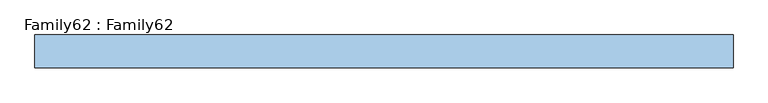
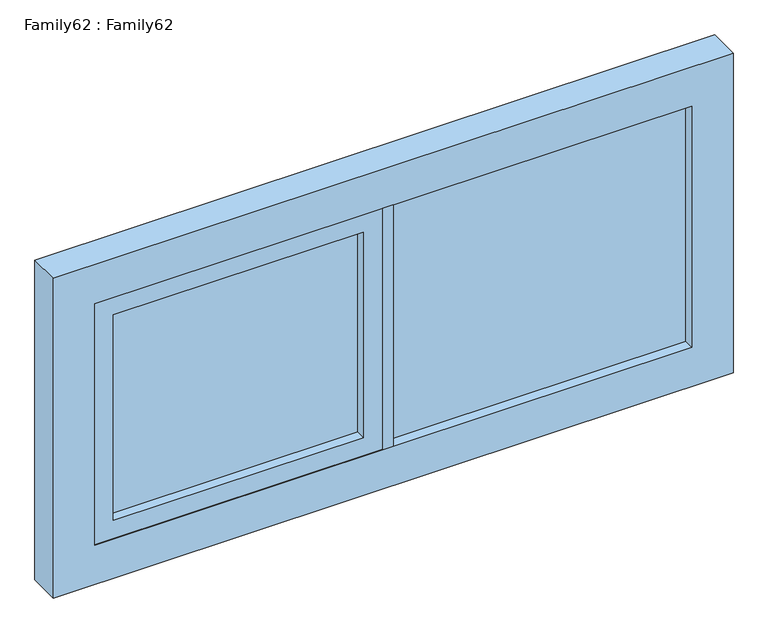
"""IFC4 building model written with IfcOpenShell, lengths in millimetres: window geometry, Family62 : Family62."""

from ifc_helpers import new_model, si_unit, frame, origin, place, context, project, spatial, polyline, outline, extrude, source, transform, mapped, element, save


def family62_family62_6873fe72(model_context):
    return source(origin(), model_context, "Body", "SweptSolid", [
        extrude(outline(polyline([(786.0, 14.0), (786.0, 10.0), (0.0, 10.0), (0.0, 14.0), (786.0, 14.0)])), frame((0.0, 0.0, 909.0), z_axis=(0.0, 0.0, 1.0), x_axis=(1.0, 0.0, 0.0)), (0.0, 0.0, 1.0), 672.0),
        extrude(outline(polyline([(0.0, -10.0), (786.0, -10.0), (786.0, -14.0), (0.0, -14.0), (0.0, -10.0)])), frame((0.0, 0.0, 909.0), z_axis=(0.0, 0.0, 1.0), x_axis=(1.0, 0.0, 0.0)), (0.0, 0.0, 1.0), 672.0),
        extrude(outline(polyline([(-77.4945996, 14.0), (-77.4945996, 10.0), (-736.0, 10.0), (-736.0, 14.0), (-77.4945996, 14.0)])), frame((0.0, 0.0, 959.0), z_axis=(0.0, 0.0, 1.0), x_axis=(1.0, 0.0, 0.0)), (0.0, 0.0, 1.0), 572.0),
        extrude(outline(polyline([(-77.4945996, -10.0), (-77.4945996, -14.0), (-736.0, -14.0), (-736.0, -10.0), (-77.4945996, -10.0)])), frame((0.0, 0.0, 959.0), z_axis=(0.0, 0.0, 1.0), x_axis=(1.0, 0.0, 0.0)), (0.0, 0.0, 1.0), 572.0),
        extrude(outline(polyline([(0.0, -42.0), (-27.4945996, -42.0), (-27.4945996, 42.0), (0.0, 42.0), (0.0, -42.0)])), frame((0.0, 0.0, 909.0), z_axis=(0.0, 0.0, 1.0), x_axis=(1.0, 0.0, 0.0)), (0.0, 0.0, 1.0), 672.0),
        extrude(outline(polyline([(1581.0, -27.4945996), (1581.0, -786.0), (909.0, -786.0), (909.0, -27.4945996), (1581.0, -27.4945996)]), holes=[polyline([(1531.0, -77.4945996), (959.0, -77.4945996), (959.0, -736.0), (1531.0, -736.0), (1531.0, -77.4945996)])]), frame((0.0, -40.0, 0.0), z_axis=(0.0, 1.0, 0.0), x_axis=(0.0, 0.0, 1.0)), (0.0, 0.0, 1.0), 80.0),
        extrude(outline(polyline([(1690.0, 895.0), (1690.0, -895.0), (800.0, -895.0), (800.0, 895.0), (1690.0, 895.0)]), holes=[polyline([(909.0, 786.0), (909.0, -786.0), (1581.0, -786.0), (1581.0, 786.0), (909.0, 786.0)])]), frame((0.0, -42.0, 0.0), z_axis=(0.0, 1.0, 0.0), x_axis=(0.0, 0.0, 1.0)), (0.0, 0.0, 1.0), 84.0),
    ])


if __name__ == "__main__":
    model = new_model("IFC4")
    model_context = context("Model", 3, world=origin())
    ifc_project = project(units=[si_unit("LENGTHUNIT", "METRE", prefix="MILLI")], contexts=[model_context])
    site = spatial("IfcSite", under=ifc_project)
    building = spatial("IfcBuilding", under=site)
    placement = place(None, origin())
    family62_family62_shape = family62_family62_6873fe72(model_context)
    element("IfcWindow", 1, ObjectType="Family62 : Family62", at=placement, inside=building, context=model_context, shape_type="MappedRepresentation", body=[
        mapped(family62_family62_shape, transform((0.0, 0.0, 0.0), x_axis=(1.0, 0.0, 0.0), y_axis=(0.0, 1.0, 0.0), z_axis=(0.0, 0.0, 1.0))),
    ])
    save(model, "model.ifc")
